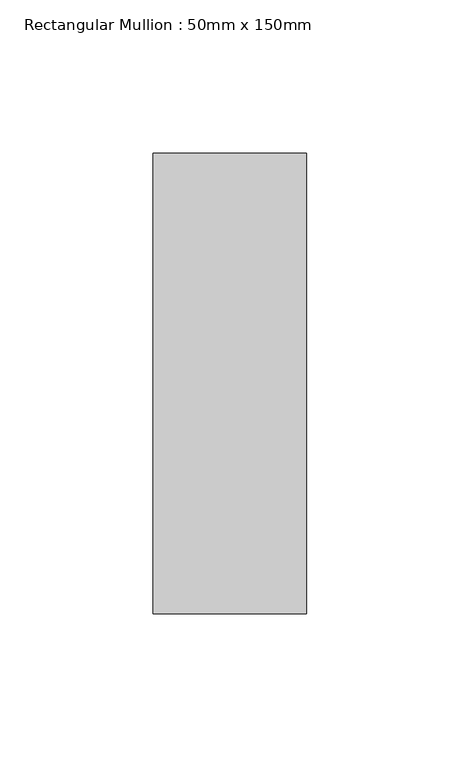
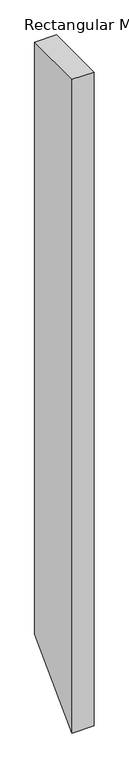
"""IFC4 building model written with IfcOpenShell, lengths in millimetres: member geometry, Rectangular Mullion : 50mm x 150mm."""

from ifc_helpers import new_model, si_unit, frame, origin, place, context, project, spatial, polyline, outline, extrude, source, transform, mapped, element, save


def rectangular_mullion_50mm_x_150mm_68c72897(model_context):
    return source(origin(), model_context, "Body", "SweptSolid", [
        extrude(outline(polyline([(-75.0, 0.0), (75.0, 0.0), (75.0, -1445.0000002), (-75.0, -1595.0000002), (-75.0, 0.0)])), frame((-50.0, 0.0, 0.0), z_axis=(1.0, 0.0, 0.0), x_axis=(0.0, 1.0, 0.0)), (0.0, 0.0, 1.0), 50.0),
    ])


if __name__ == "__main__":
    model = new_model("IFC4")
    model_context = context("Model", 3, world=origin())
    ifc_project = project(units=[si_unit("LENGTHUNIT", "METRE", prefix="MILLI")], contexts=[model_context])
    site = spatial("IfcSite", under=ifc_project)
    building = spatial("IfcBuilding", under=site)
    placement = place(None, origin())
    rectangular_mullion_50mm_x_150mm_shape = rectangular_mullion_50mm_x_150mm_68c72897(model_context)
    element("IfcMember", 1, ObjectType="Rectangular Mullion : 50mm x 150mm", at=placement, inside=building, context=model_context, shape_type="MappedRepresentation", body=[
        mapped(rectangular_mullion_50mm_x_150mm_shape, transform((0.0, 0.0, 0.0), x_axis=(1.0, 0.0, 0.0), y_axis=(0.0, 1.0, 0.0), z_axis=(0.0, 0.0, 1.0))),
    ])
    save(model, "model.ifc")
